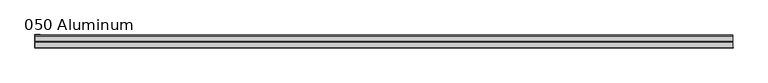
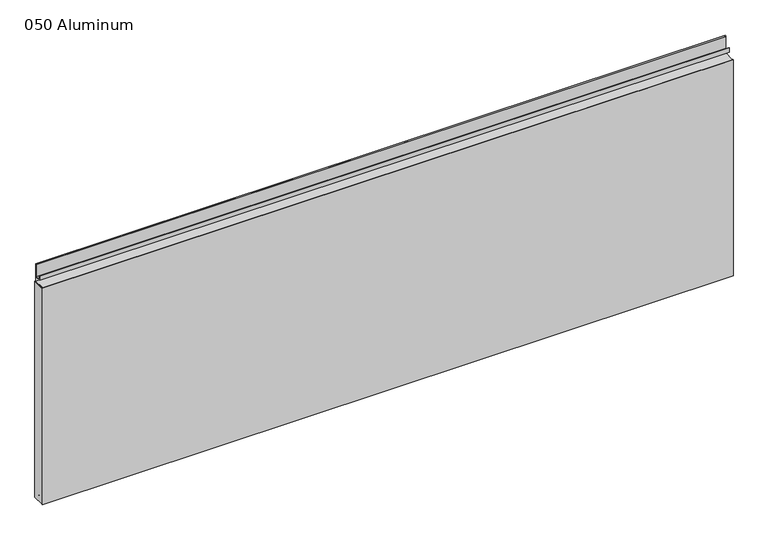
"""IFC4 building model written with IfcOpenShell, lengths in millimetres: plate geometry, 050 Aluminum."""

from ifc_helpers import new_model, si_unit, point, frame, frame_2d, origin, origin_with_axes, place, context, project, spatial, polyline, circle_curve, trimmed, segment, composite_curve, outline, extrude, source, transform, mapped, element, save


def plate_050_aluminum_80211dd2(model_context):
    return source(origin(), model_context, "Body", "SweptSolid", [
        extrude(outline(polyline([(-919.48, -2.5660257), (-919.48, -34.7980001), (-920.7499999, -34.7980001), (-920.7499999, -1.2699999), (-906.5894994, -1.2699999), (-906.5894994, -2.5660257), (-919.48, -2.5660257)])), origin_with_axes(), (0.0, 0.0, 1.0), 608.33),
        extrude(outline(composite_curve([segment(polyline([(-16.6765477, 13.1458337), (-16.6765477, 2.786437), (-17.9464915, 2.786437), (-17.9464915, 13.1323356)]), True, "CONTINUOUS"), segment(trimmed(circle_curve(frame_2d((-19.8514743, 13.124237)), 1.905), [point((-17.9464915, 13.1323356))], [point((-21.7564743, 13.124237))], True, "CARTESIAN"), True, "CONTINUOUS"), segment(polyline([(-21.7564743, 13.124237), (-21.7564743, 0.0), (-34.7980002, 0.0), (-34.7980002, 1.2693678), (-23.0264743, 1.2693678), (-23.0264743, 13.124237)]), True, "CONTINUOUS"), segment(trimmed(circle_curve(frame_2d((-19.8514743, 13.124237)), 3.175), [point((-23.0264743, 13.124237))], [point((-16.6765477, 13.1458337))], False, "CARTESIAN"), True, "CONTINUOUS")], self_intersect=False)), frame((-919.48, 0.0, 0.0), z_axis=(1.0, 0.0, 0.0), x_axis=(0.0, 1.0, 0.0)), (0.0, 0.0, 1.0), 1838.96),
        extrude(outline(composite_curve([segment(polyline([(-2.0574743, 656.7932001), (-2.0574743, 608.33), (-34.7980002, 608.33), (-34.7980002, 609.6000001), (-3.3274743, 609.6000001), (-3.3274743, 656.7932001)]), True, "CONTINUOUS"), segment(trimmed(circle_curve(frame_2d((-3.7084742, 656.7932001)), 0.3809999), [point((-3.3274743, 656.7932001))], [point((-4.0894742, 656.7932001))], True, "CARTESIAN"), True, "CONTINUOUS"), segment(polyline([(-4.0894742, 656.7932001), (-4.0894742, 622.3), (-20.4864742, 622.3), (-20.4864742, 633.6538), (-19.2164743, 633.6538), (-19.2164743, 623.57), (-5.3594742, 623.57), (-5.3594742, 656.7932001)]), True, "CONTINUOUS"), segment(trimmed(circle_curve(frame_2d((-3.7084742, 656.7932001)), 1.6509999), [point((-5.3594742, 656.7932001))], [point((-2.0574743, 656.7932001))], False, "CARTESIAN"), True, "CONTINUOUS")], self_intersect=False)), frame((-919.48, 0.0, 0.0), z_axis=(1.0, 0.0, 0.0), x_axis=(0.0, 1.0, 0.0)), (0.0, 0.0, 1.0), 1838.96),
        extrude(outline(polyline([(-920.75, -36.068), (-920.75, -34.7980001), (920.75, -34.7980001), (920.75, -36.068), (-920.75, -36.068)])), origin_with_axes(), (0.0, 0.0, 1.0), 609.6),
    ])


if __name__ == "__main__":
    model = new_model("IFC4")
    model_context = context("Model", 3, world=origin())
    ifc_project = project(units=[si_unit("LENGTHUNIT", "METRE", prefix="MILLI")], contexts=[model_context])
    site = spatial("IfcSite", under=ifc_project)
    building = spatial("IfcBuilding", under=site)
    placement = place(None, origin())
    plate_050_aluminum_shape = plate_050_aluminum_80211dd2(model_context)
    element("IfcPlate", 1, ObjectType="050 Aluminum", at=placement, inside=building, context=model_context, shape_type="MappedRepresentation", body=[
        mapped(plate_050_aluminum_shape, transform((0.0, 0.0, 0.0), x_axis=(1.0, 0.0, 0.0), y_axis=(0.0, 1.0, 0.0), z_axis=(0.0, 0.0, 1.0))),
    ])
    save(model, "model.ifc")
